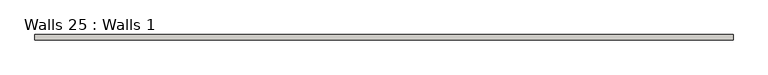
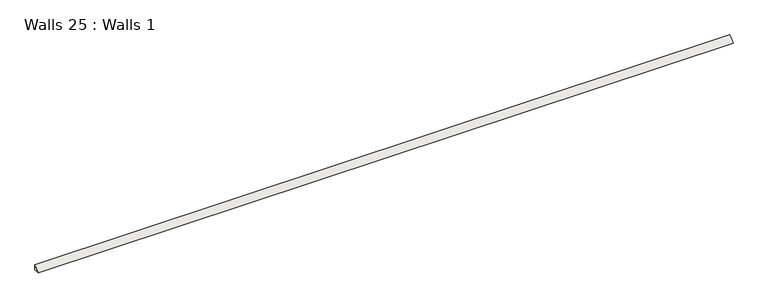
"""IFC4 building model written with IfcOpenShell, lengths in millimetres: wall geometry, Walls 25 : Walls 1."""

from ifc_helpers import new_model, si_unit, frame, origin, place, context, project, spatial, polyline, outline, extrude, source, transform, mapped, element, save


def walls_25_walls_1_eb25ac4e(model_context):
    return source(origin(), model_context, "Body", "SweptSolid", [
        extrude(outline(polyline([(2310.4866916, 323.85), (2310.4866916, 304.8), (2291.4366916, 304.8), (2310.4866916, 323.85)])), frame((1117.89031, 0.0, 0.0), z_axis=(1.0, 0.0, 0.0), x_axis=(0.0, 1.0, 0.0)), (0.0, 0.0, 1.0), 2438.4),
    ])


if __name__ == "__main__":
    model = new_model("IFC4")
    model_context = context("Model", 3, world=origin())
    ifc_project = project(units=[si_unit("LENGTHUNIT", "METRE", prefix="MILLI")], contexts=[model_context])
    site = spatial("IfcSite", under=ifc_project)
    building = spatial("IfcBuilding", under=site)
    placement = place(None, origin())
    walls_25_walls_1_shape = walls_25_walls_1_eb25ac4e(model_context)
    element("IfcWall", 1, ObjectType="Walls 25 : Walls 1", at=placement, inside=building, context=model_context, shape_type="MappedRepresentation", body=[
        mapped(walls_25_walls_1_shape, transform((0.0, 0.0, 0.0), x_axis=(1.0, 0.0, 0.0), y_axis=(0.0, 1.0, 0.0), z_axis=(0.0, 0.0, 1.0))),
    ])
    save(model, "model.ifc")
